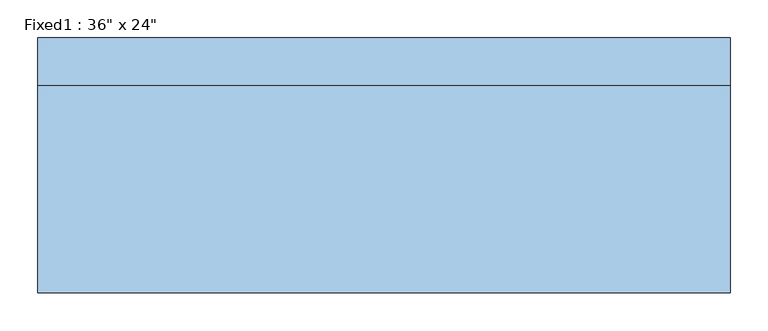
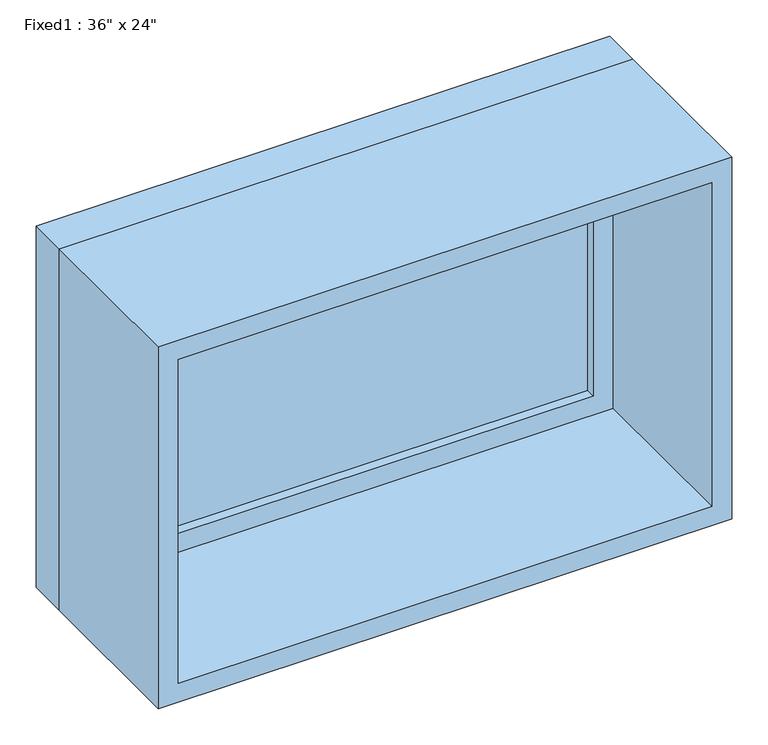
"""IFC4 building model written with IfcOpenShell, lengths in millimetres: window geometry."""

from ifc_helpers import new_model, si_unit, frame, origin, place, context, project, spatial, polyline, outline, extrude, source, transform, mapped, element, save


def window_b99acaff(model_context):
    return source(origin(), model_context, "Body", "SweptSolid", [
        extrude(outline(polyline([(355.6, 120.65), (-431.8, 120.65), (-431.8, 133.35), (355.6, 133.35), (355.6, 120.65)])), frame((0.0, 0.0, 977.9), z_axis=(0.0, 0.0, 1.0), x_axis=(1.0, 0.0, 0.0)), (0.0, 0.0, 1.0), 482.6),
        extrude(outline(polyline([(1504.95, -476.25), (933.45, -476.25), (933.45, 400.05), (1504.95, 400.05), (1504.95, -476.25)]), holes=[polyline([(1460.5, -431.8), (1460.5, 355.6), (977.9, 355.6), (977.9, -431.8), (1460.5, -431.8)])]), frame((0.0, 104.775, 0.0), z_axis=(0.0, 1.0, 0.0), x_axis=(0.0, 0.0, 1.0)), (0.0, 0.0, 1.0), 44.45),
        extrude(outline(polyline([(1524.0, -495.3), (914.4, -495.3), (914.4, 419.1), (1524.0, 419.1), (1524.0, -495.3)]), holes=[polyline([(1492.25, -463.55), (1492.25, 387.35), (946.15, 387.35), (946.15, -463.55), (1492.25, -463.55)])]), frame((0.0, -168.275, 0.0), z_axis=(0.0, 1.0, 0.0), x_axis=(0.0, 0.0, 1.0)), (0.0, 0.0, 1.0), 273.05),
        extrude(outline(polyline([(1524.0, 419.1), (1524.0, -495.3), (914.4, -495.3), (914.4, 419.1), (1524.0, 419.1)]), holes=[polyline([(1504.95, 400.05), (933.45, 400.05), (933.45, -476.25), (1504.95, -476.25), (1504.95, 400.05)])]), frame((0.0, 104.775, 0.0), z_axis=(0.0, 1.0, 0.0), x_axis=(0.0, 0.0, 1.0)), (0.0, 0.0, 1.0), 63.5),
    ])


if __name__ == "__main__":
    model = new_model("IFC4")
    model_context = context("Model", 3, world=origin())
    ifc_project = project(units=[si_unit("LENGTHUNIT", "METRE", prefix="MILLI")], contexts=[model_context])
    site = spatial("IfcSite", under=ifc_project)
    building = spatial("IfcBuilding", under=site)
    placement = place(None, origin())
    window_shape = window_b99acaff(model_context)
    element("IfcWindow", 1, ObjectType="Fixed1 : 36\" x 24\"", at=placement, inside=building, context=model_context, shape_type="MappedRepresentation", body=[
        mapped(window_shape, transform((0.0, 0.0, 0.0), x_axis=(1.0, 0.0, 0.0), y_axis=(0.0, 1.0, 0.0), z_axis=(0.0, 0.0, 1.0))),
    ])
    save(model, "model.ifc")
